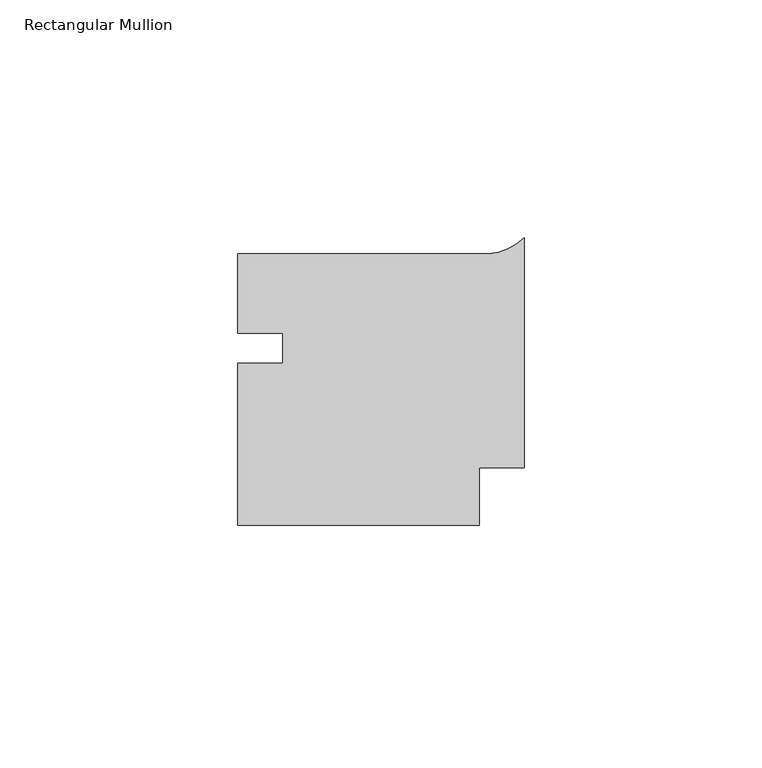
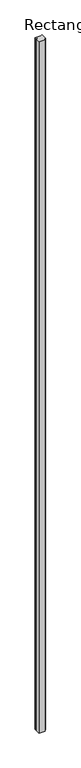
"""IFC4 building model written with IfcOpenShell, lengths in millimetres: member geometry, Rectangular Mullion."""

from ifc_helpers import new_model, si_unit, point, frame, frame_2d, origin, place, context, project, spatial, polyline, circle_curve, trimmed, segment, composite_curve, outline, extrude, source, transform, mapped, element, save


def rectangular_mullion_4afe8cf6(model_context):
    return source(origin(), model_context, "Body", "SweptSolid", [
        extrude(outline(composite_curve([segment(polyline([(-9.525, -28.4594839), (-60.2996, -28.4594839), (-60.2996, 5.5949086), (-50.7746, 5.5949086), (-50.7746, 11.9449086), (-60.2996, 11.9449086), (-60.2996, 28.6905161), (-9.525, 28.6905161)]), True, "CONTINUOUS"), segment(trimmed(circle_curve(frame_2d((-8.4161053, 40.7033417)), 12.0638976), [point((-9.525, 28.6905161))], [point((0.0, 32.0600322))], True, "CARTESIAN"), True, "CONTINUOUS"), segment(polyline([(0.0, 32.0600322), (0.0, -16.3495041), (-9.525, -16.3495041), (-9.525, -28.4594839)]), True, "CONTINUOUS")], self_intersect=False)), frame((0.0, 0.0, -5989.632717), z_axis=(0.0, 0.0, 1.0), x_axis=(1.0, 0.0, 0.0)), (0.0, 0.0, 1.0), 5989.632717),
    ])


if __name__ == "__main__":
    model = new_model("IFC4")
    model_context = context("Model", 3, world=origin())
    ifc_project = project(units=[si_unit("LENGTHUNIT", "METRE", prefix="MILLI")], contexts=[model_context])
    site = spatial("IfcSite", under=ifc_project)
    building = spatial("IfcBuilding", under=site)
    placement = place(None, origin())
    rectangular_mullion_shape = rectangular_mullion_4afe8cf6(model_context)
    element("IfcMember", 1, ObjectType="Rectangular Mullion", at=placement, inside=building, context=model_context, shape_type="MappedRepresentation", body=[
        mapped(rectangular_mullion_shape, transform((0.0, 0.0, 0.0), x_axis=(1.0, 0.0, 0.0), y_axis=(0.0, 1.0, 0.0), z_axis=(0.0, 0.0, 1.0))),
    ])
    save(model, "model.ifc")
